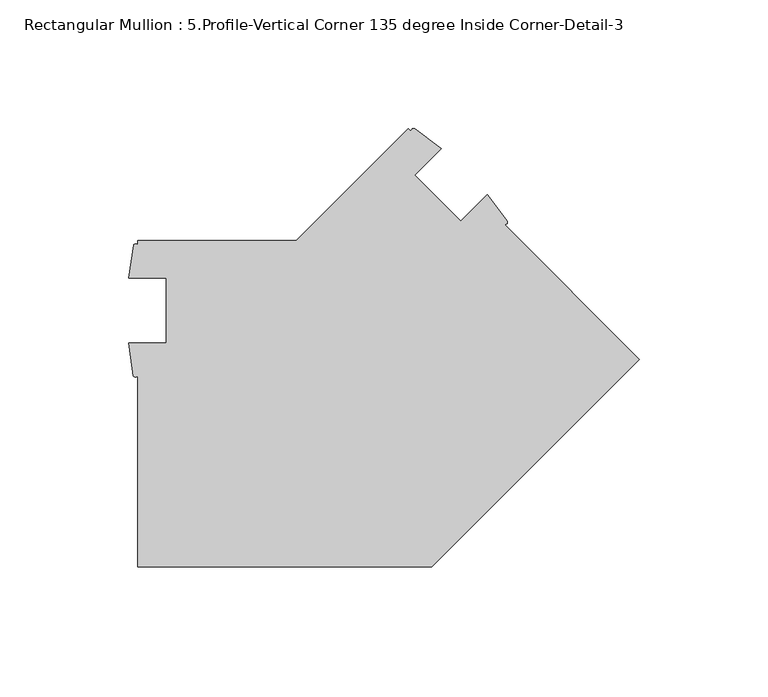
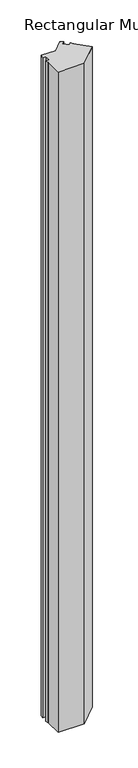
"""IFC4 building model written with IfcOpenShell, lengths in millimetres: member geometry, Rectangular Mullion : 5.Profile-Vertical Corner 135 degree Inside Corner-Detail-3."""

from ifc_helpers import new_model, si_unit, point, frame, frame_2d, origin, place, context, project, spatial, polyline, circle_curve, trimmed, segment, composite_curve, outline, extrude, source, transform, mapped, element, save


def rectangular_mullion_5_profile_vertical_corner_135_degree_f318d9e9(model_context):
    return source(origin(), model_context, "Body", "SweptSolid", [
        extrude(outline(composite_curve([segment(polyline([(0.0, -46.1776949), (-80.8223051, -127.0), (-195.1223051, -127.0), (-195.1223051, -52.6765778)]), True, "CONTINUOUS"), segment(trimmed(circle_curve(frame_2d((-195.9540073, -52.136475)), 0.9916852), [point((-195.1223051, -52.6765778))], [point((-196.7857095, -52.6765778))], False, "CARTESIAN"), True, "CONTINUOUS"), segment(polyline([(-196.7857095, -52.6765778), (-198.6418268, -39.903525), (-184.0098051, -39.903525), (-184.0098051, -14.503525), (-198.5183051, -14.503525), (-196.7082013, -1.7322375)]), True, "CONTINUOUS"), segment(trimmed(circle_curve(frame_2d((-195.9152532, -2.2228424)), 0.9324484), [point((-196.7082013, -1.7322375))], [point((-195.1223051, -1.7322375))], False, "CARTESIAN"), True, "CONTINUOUS"), segment(polyline([(-195.1223051, -1.7322375), (-195.1223051, 0.0), (-133.4274275, 0.0), (-89.8025612, 43.6248663), (-88.5776843, 42.3999894)]), True, "CONTINUOUS"), segment(trimmed(circle_curve(frame_2d((-87.8344169, 42.77812)), 0.833924), [point((-88.5776843, 42.3999894))], [point((-87.4562864, 43.5213874))], False, "CARTESIAN"), True, "CONTINUOUS"), segment(polyline([(-87.4562864, 43.5213874), (-77.1456857, 35.77066), (-87.4047444, 25.5116013), (-69.4442322, 7.5510891), (-59.0978304, 17.8974909), (-51.3783913, 7.5531055)]), True, "CONTINUOUS"), segment(trimmed(circle_curve(frame_2d((-52.2190375, 7.2175471)), 0.9051439), [point((-51.3783913, 7.5531055))], [point((-52.5545958, 6.3769009))], False, "CARTESIAN"), True, "CONTINUOUS"), segment(polyline([(-52.5545958, 6.3769009), (0.0, -46.1776949)]), True, "CONTINUOUS")], self_intersect=False)), frame((0.0, 0.0, -3048.0), z_axis=(0.0, 0.0, 1.0), x_axis=(1.0, 0.0, 0.0)), (0.0, 0.0, 1.0), 3048.0),
    ])


if __name__ == "__main__":
    model = new_model("IFC4")
    model_context = context("Model", 3, world=origin())
    ifc_project = project(units=[si_unit("LENGTHUNIT", "METRE", prefix="MILLI")], contexts=[model_context])
    site = spatial("IfcSite", under=ifc_project)
    building = spatial("IfcBuilding", under=site)
    placement = place(None, origin())
    rectangular_mullion_5_profile_vertical_corner_135_degree_shape = rectangular_mullion_5_profile_vertical_corner_135_degree_f318d9e9(model_context)
    element("IfcMember", 1, ObjectType="Rectangular Mullion : 5.Profile-Vertical Corner 135 degree Inside Corner-Detail-3", at=placement, inside=building, context=model_context, shape_type="MappedRepresentation", body=[
        mapped(rectangular_mullion_5_profile_vertical_corner_135_degree_shape, transform((0.0, 0.0, 0.0), x_axis=(1.0, 0.0, 0.0), y_axis=(0.0, 1.0, 0.0), z_axis=(0.0, 0.0, 1.0))),
    ])
    save(model, "model.ifc")
